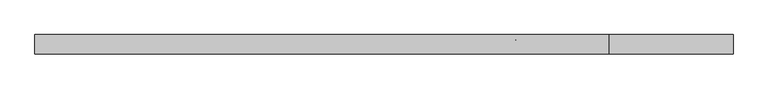
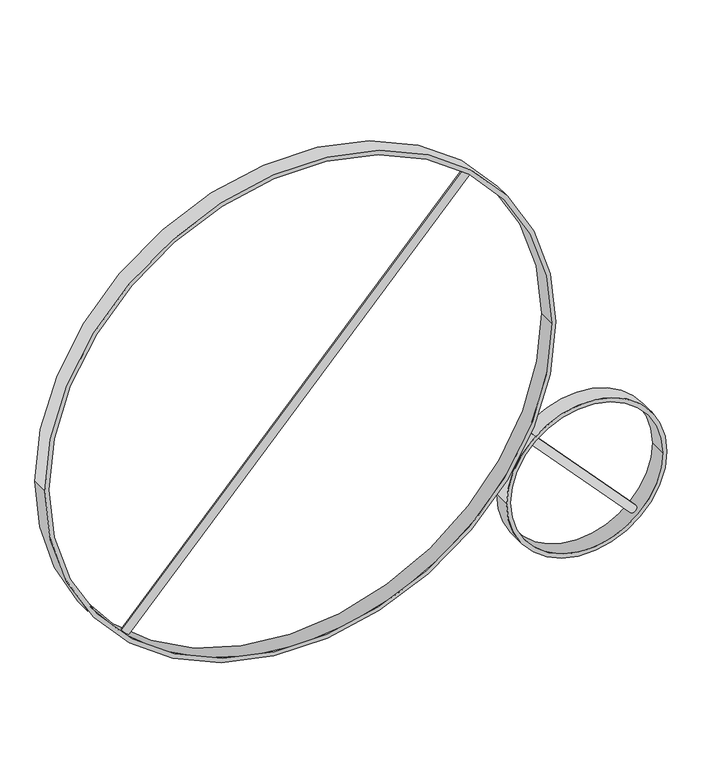
"""IFC4 building model written with IfcOpenShell, lengths in millimetres: furniture geometry."""

from ifc_helpers import new_model, si_unit, point, frame, frame_2d, origin, place, context, project, spatial, circle_curve, trimmed, segment, composite_curve, outline, extrude, source, transform, mapped, element, save


def furniture_32c42d7f(model_context):
    return source(origin(), model_context, "Body", "SweptSolid", [
        extrude(outline(composite_curve([segment(trimmed(circle_curve(frame_2d((0.0, -7.5)), 7.5), [point((0.0, -15.0))], [point((0.0, 0.0))], False, "CARTESIAN"), True, "CONTINUOUS"), segment(trimmed(circle_curve(frame_2d((0.0, -7.5)), 7.5), [point((0.0, 0.0))], [point((0.0, -15.0))], False, "CARTESIAN"), True, "CONTINUOUS")], self_intersect=False)), frame((623.4276775, 0.0, 38.069665), z_axis=(-0.6799516958196442, 0.0, 0.7332569067877848), x_axis=(0.0, 1.0, 0.0)), (0.0, 0.0, 1.0), 288.1706542),
        extrude(outline(composite_curve([segment(trimmed(circle_curve(frame_2d((0.0, -7.5)), 7.5), [point((0.0, -15.0000001))], [point((0.0, 0.0))], False, "CARTESIAN"), True, "CONTINUOUS"), segment(trimmed(circle_curve(frame_2d((0.0, -7.5)), 7.5), [point((0.0, 0.0))], [point((0.0, -15.0000001))], False, "CARTESIAN"), True, "CONTINUOUS")], self_intersect=False)), frame((-316.0442521, 0.0, 123.7602945), z_axis=(0.6812197074386684, 0.0, 0.7320790327534146), x_axis=(0.0, -1.0, 0.0)), (0.0, 0.0, 1.0), 943.4920171),
        extrude(outline(composite_curve([segment(trimmed(circle_curve(frame_2d((148.6103686, 532.1451967)), 149.0), [point((148.6103686, 383.1451967))], [point((148.6103686, 681.1451967))], False, "CARTESIAN"), True, "CONTINUOUS"), segment(trimmed(circle_curve(frame_2d((148.6103686, 532.1451967)), 149.0), [point((148.6103686, 681.1451967))], [point((148.6103686, 383.1451967))], False, "CARTESIAN"), True, "CONTINUOUS")], self_intersect=False), holes=[composite_curve([segment(trimmed(circle_curve(frame_2d((148.6103686, 532.1451967)), 141.0), [point((148.6103686, 391.1451967))], [point((148.6103686, 673.1451967))], True, "CARTESIAN"), True, "CONTINUOUS"), segment(trimmed(circle_curve(frame_2d((148.6103686, 532.1451967)), 141.0), [point((148.6103686, 673.1451967))], [point((148.6103686, 391.1451967))], True, "CARTESIAN"), True, "CONTINUOUS")], self_intersect=False)]), frame((0.0, -16.0, 0.0), z_axis=(0.0, 1.0, 0.0), x_axis=(0.0, 0.0, 1.0)), (0.0, 0.0, 1.0), 32.0),
        extrude(outline(composite_curve([segment(trimmed(circle_curve(frame_2d((475.0, 0.0)), 475.0), [point((475.0, -475.0))], [point((475.0, 475.0))], False, "CARTESIAN"), True, "CONTINUOUS"), segment(trimmed(circle_curve(frame_2d((475.0, 0.0)), 475.0), [point((475.0, 475.0))], [point((475.0, -475.0))], False, "CARTESIAN"), True, "CONTINUOUS")], self_intersect=False), holes=[composite_curve([segment(trimmed(circle_curve(frame_2d((475.0, 0.0)), 467.0), [point((475.0, -467.0))], [point((475.0, 467.0))], True, "CARTESIAN"), True, "CONTINUOUS"), segment(trimmed(circle_curve(frame_2d((475.0, 0.0)), 467.0), [point((475.0, 467.0))], [point((475.0, -467.0))], True, "CARTESIAN"), True, "CONTINUOUS")], self_intersect=False)]), frame((0.0, -16.0, 0.0), z_axis=(0.0, 1.0, 0.0), x_axis=(0.0, 0.0, 1.0)), (0.0, 0.0, 1.0), 32.0),
    ])


if __name__ == "__main__":
    model = new_model("IFC4")
    model_context = context("Model", 3, world=origin())
    ifc_project = project(units=[si_unit("LENGTHUNIT", "METRE", prefix="MILLI")], contexts=[model_context])
    site = spatial("IfcSite", under=ifc_project)
    building = spatial("IfcBuilding", under=site)
    placement = place(None, origin())
    furniture_shape = furniture_32c42d7f(model_context)
    element("IfcFurniture", 1, at=placement, inside=building, context=model_context, shape_type="MappedRepresentation", body=[
        mapped(furniture_shape, transform((0.0, 0.0, 0.0), x_axis=(1.0, 0.0, 0.0), y_axis=(0.0, 1.0, 0.0), z_axis=(0.0, 0.0, 1.0))),
    ])
    save(model, "model.ifc")
